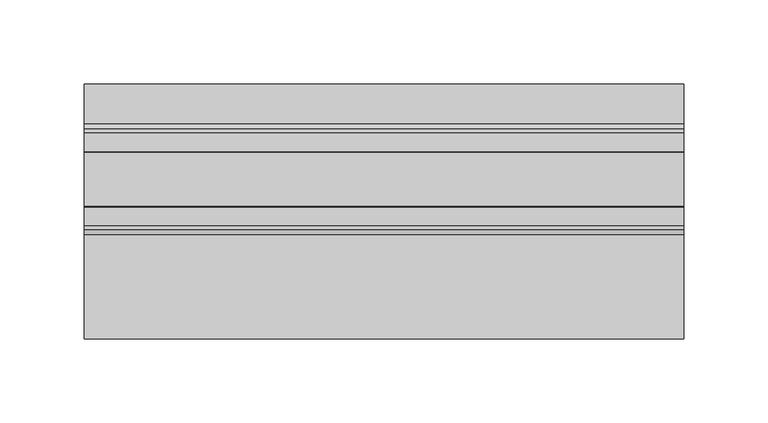
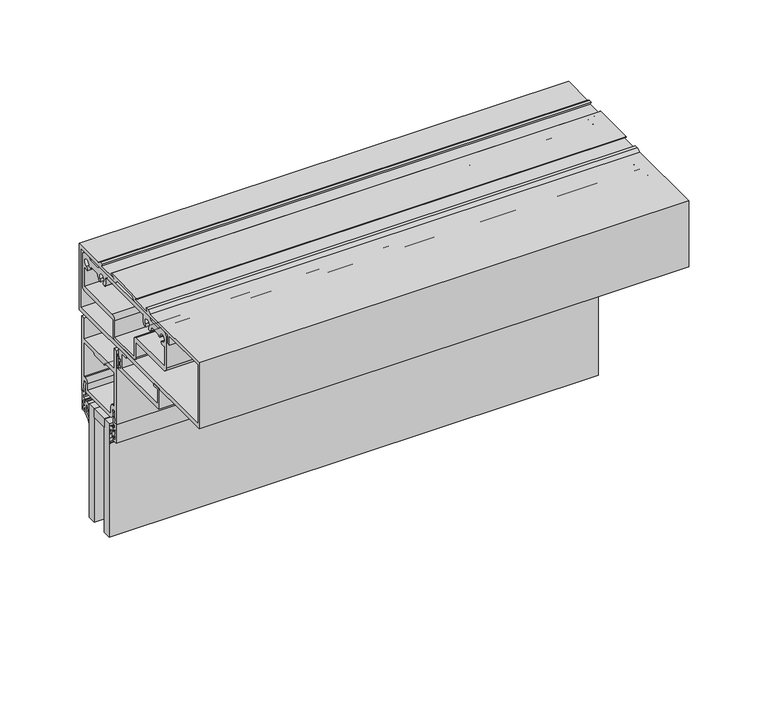
"""IFC4 building model written with IfcOpenShell, lengths in millimetres: plate geometry."""

from ifc_helpers import new_model, si_unit, point, frame, frame_2d, origin, place, context, project, spatial, polyline, circle_curve, trimmed, segment, composite_curve, outline, extrude, source, transform, mapped, element, save


def plate_2e76b45b(model_context):
    return source(origin(), model_context, "Body", "SweptSolid", [
        extrude(outline(polyline([(-177.8, -19.05), (-177.8, -6.35), (177.8, -6.35), (177.8, -19.05), (-177.8, -19.05)])), frame((0.0, 0.0, 228.2472153), z_axis=(0.0, 0.0, 1.0), x_axis=(1.0, 0.0, 0.0)), (0.0, 0.0, 1.0), 6.35),
        extrude(outline(composite_curve([segment(polyline([(-34.9514484, 293.1066499), (-34.9514484, 285.1817967)]), True, "CONTINUOUS"), segment(trimmed(circle_curve(frame_2d((-36.1452484, 285.1817967)), 1.1938), [point((-34.9514484, 285.1817967))], [point((-37.3390484, 285.1817967))], False, "CARTESIAN"), True, "CONTINUOUS"), segment(polyline([(-37.3390484, 285.1817967), (-37.3390484, 287.1879153), (-38.31675, 287.1879153), (-38.31675, 285.7147153), (-39.2186484, 285.7147153), (-39.2186484, 287.5689153), (-37.7962484, 287.5689153), (-37.7962484, 290.7185153), (-39.2186484, 290.7185153), (-39.2186484, 292.5727153), (-38.31675, 292.5727153), (-38.31675, 291.0995153), (-37.3390484, 291.0995153), (-37.3390484, 293.1066499)]), True, "CONTINUOUS"), segment(trimmed(circle_curve(frame_2d((-36.1452484, 293.1066499)), 1.1938), [point((-37.3390484, 293.1066499))], [point((-34.9514484, 293.1066499))], False, "CARTESIAN"), True, "CONTINUOUS")], self_intersect=False), holes=[composite_curve([segment(trimmed(circle_curve(frame_2d((-36.1452484, 293.1066499)), 0.6858), [point((-35.4594484, 293.1066499))], [point((-36.8310484, 293.1066499))], True, "CARTESIAN"), True, "CONTINUOUS"), segment(polyline([(-36.8310484, 293.1066499), (-36.8310484, 285.1817967)]), True, "CONTINUOUS"), segment(trimmed(circle_curve(frame_2d((-36.1452484, 285.1817967)), 0.6858), [point((-36.8310484, 285.1817967))], [point((-35.4594484, 285.1817967))], True, "CARTESIAN"), True, "CONTINUOUS"), segment(polyline([(-35.4594484, 285.1817967), (-35.4594484, 293.1066499)]), True, "CONTINUOUS")], self_intersect=False)]), frame((-177.8, 0.0, 0.0), z_axis=(1.0, 0.0, 0.0), x_axis=(0.0, 1.0, 0.0)), (0.0, 0.0, 1.0), 355.6),
        extrude(outline(polyline([(-177.8, -6.35), (-177.8, 0.0), (177.8, 0.0), (177.8, -6.35), (-177.8, -6.35)])), frame((0.0, 0.0, 147.2847153), z_axis=(0.0, 0.0, 1.0), x_axis=(1.0, 0.0, 0.0)), (0.0, 0.0, 1.0), 87.3125),
        extrude(outline(polyline([(-177.8, -25.4), (-177.8, -19.05), (177.8, -19.05), (177.8, -25.4), (-177.8, -25.4)])), frame((0.0, 0.0, 147.2847153), z_axis=(0.0, 0.0, 1.0), x_axis=(1.0, 0.0, 0.0)), (0.0, 0.0, 1.0), 87.3125),
        extrude(outline(composite_curve([segment(polyline([(1.2146236, 224.1188094), (3.6195019, 226.3938295), (3.6195019, 229.7604607)]), True, "CONTINUOUS"), segment(trimmed(circle_curve(frame_2d((3.9370017, 230.1154366)), 0.47625), [point((3.6195019, 229.7604607))], [point((3.619501, 230.4704118))], True, "CARTESIAN"), True, "CONTINUOUS"), segment(polyline([(3.619501, 230.4704118), (3.619501, 232.0534477)]), True, "CONTINUOUS"), segment(trimmed(circle_curve(frame_2d((3.1116463, 230.6480701)), 1.4943235), [point((3.619501, 232.0534477))], [point((1.6174209, 230.6651923))], True, "CARTESIAN"), True, "CONTINUOUS"), segment(polyline([(1.6174209, 230.6651923), (0.5798898, 227.3304073)]), True, "CONTINUOUS"), segment(trimmed(circle_curve(frame_2d((0.2963183, 227.4186332)), 0.2969791), [point((0.5798898, 227.3304073))], [point((0.0, 227.3988331))], False, "CARTESIAN"), True, "CONTINUOUS"), segment(polyline([(0.0, 227.3988331), (0.0, 231.4465032)]), True, "CONTINUOUS"), segment(trimmed(circle_curve(frame_2d((2.8819649, 231.5989848)), 2.8859959), [point((0.0, 231.4465032))], [point((2.7993723, 234.4837987))], False, "CARTESIAN"), True, "CONTINUOUS"), segment(polyline([(2.7993723, 234.4837987), (3.619501, 234.5072791), (4.7625003, 234.5072791), (4.7625003, 231.5886377), (6.1341013, 231.5886377), (6.1341013, 232.9014666)]), True, "CONTINUOUS"), segment(trimmed(circle_curve(frame_2d((6.4896997, 233.1888362)), 0.4571996), [point((6.1341013, 232.9014666))], [point((6.9468994, 233.1888362))], False, "CARTESIAN"), True, "CONTINUOUS"), segment(polyline([(6.9468994, 233.1888362), (6.9468994, 231.1210434)]), True, "CONTINUOUS"), segment(trimmed(circle_curve(frame_2d((6.4706494, 231.0706007)), 0.4789139), [point((6.9468994, 231.1210434))], [point((6.4706494, 230.5916868))], False, "CARTESIAN"), True, "CONTINUOUS"), segment(trimmed(circle_curve(frame_2d((6.4706494, 230.1154368)), 0.47625), [point((6.4706494, 230.5916868))], [point((6.4706494, 229.6391868))], True, "CARTESIAN"), True, "CONTINUOUS"), segment(trimmed(circle_curve(frame_2d((6.3248962, 229.0345018)), 0.6220032), [point((6.4706494, 229.6391868))], [point((6.9468994, 229.0345018))], False, "CARTESIAN"), True, "CONTINUOUS"), segment(polyline([(6.9468994, 229.0345018), (6.9468994, 227.0420375)]), True, "CONTINUOUS"), segment(trimmed(circle_curve(frame_2d((6.4896997, 227.0420375)), 0.4571996), [point((6.9468994, 227.0420375))], [point((6.134102, 227.3294079))], False, "CARTESIAN"), True, "CONTINUOUS"), segment(polyline([(6.134102, 227.3294079), (6.134102, 228.6422512), (4.7625003, 228.6422512), (4.7625003, 224.7705638), (1.4889495, 222.2693517)]), True, "CONTINUOUS"), segment(trimmed(circle_curve(frame_2d((3.0879023, 220.2964512)), 2.5394854), [point((1.4889495, 222.2693517))], [point((0.5496136, 220.2184967))], True, "CARTESIAN"), True, "CONTINUOUS"), segment(trimmed(circle_curve(frame_2d((0.2748716, 220.210059)), 0.2748716), [point((0.5496136, 220.2184967))], [point((0.0, 220.210059))], False, "CARTESIAN"), True, "CONTINUOUS"), segment(polyline([(0.0, 220.210059), (0.0, 221.9232827)]), True, "CONTINUOUS"), segment(trimmed(circle_curve(frame_2d((3.0412561, 221.6745235)), 3.0514128), [point((0.0, 221.9232827))], [point((1.2146236, 224.1188094))], False, "CARTESIAN"), True, "CONTINUOUS")], self_intersect=False)), frame((-177.8, 0.0, 0.0), z_axis=(1.0, 0.0, 0.0), x_axis=(0.0, 1.0, 0.0)), (0.0, 0.0, 1.0), 355.6),
        extrude(outline(composite_curve([segment(trimmed(circle_curve(frame_2d((-28.4412561, 221.6745235)), 3.0514128), [point((-26.6146236, 224.1188094))], [point((-25.4, 221.9232827))], False, "CARTESIAN"), True, "CONTINUOUS"), segment(polyline([(-25.4, 221.9232827), (-25.4, 220.210059)]), True, "CONTINUOUS"), segment(trimmed(circle_curve(frame_2d((-25.6748716, 220.210059)), 0.2748716), [point((-25.4, 220.210059))], [point((-25.9496136, 220.2184967))], False, "CARTESIAN"), True, "CONTINUOUS"), segment(trimmed(circle_curve(frame_2d((-28.4879023, 220.2964512)), 2.5394854), [point((-25.9496136, 220.2184967))], [point((-26.8889495, 222.2693517))], True, "CARTESIAN"), True, "CONTINUOUS"), segment(polyline([(-26.8889495, 222.2693517), (-30.1625003, 224.7705638), (-30.1625003, 228.6422512), (-31.534102, 228.6422512), (-31.534102, 227.3294079)]), True, "CONTINUOUS"), segment(trimmed(circle_curve(frame_2d((-31.8896997, 227.0420375)), 0.4571996), [point((-31.534102, 227.3294079))], [point((-32.3468994, 227.0420375))], False, "CARTESIAN"), True, "CONTINUOUS"), segment(polyline([(-32.3468994, 227.0420375), (-32.3468994, 229.0345018)]), True, "CONTINUOUS"), segment(trimmed(circle_curve(frame_2d((-31.7248962, 229.0345018)), 0.6220032), [point((-32.3468994, 229.0345018))], [point((-31.8706494, 229.6391868))], False, "CARTESIAN"), True, "CONTINUOUS"), segment(trimmed(circle_curve(frame_2d((-31.8706494, 230.1154368)), 0.47625), [point((-31.8706494, 229.6391868))], [point((-31.8706494, 230.5916868))], True, "CARTESIAN"), True, "CONTINUOUS"), segment(trimmed(circle_curve(frame_2d((-31.8706494, 231.0706007)), 0.4789139), [point((-31.8706494, 230.5916868))], [point((-32.3468994, 231.1210434))], False, "CARTESIAN"), True, "CONTINUOUS"), segment(polyline([(-32.3468994, 231.1210434), (-32.3468994, 233.1888362)]), True, "CONTINUOUS"), segment(trimmed(circle_curve(frame_2d((-31.8896997, 233.1888362)), 0.4571996), [point((-32.3468994, 233.1888362))], [point((-31.5341013, 232.9014666))], False, "CARTESIAN"), True, "CONTINUOUS"), segment(polyline([(-31.5341013, 232.9014666), (-31.5341013, 231.5886377), (-30.1625, 231.5886377), (-30.1625, 234.5072791), (-29.019501, 234.5072791), (-28.1993723, 234.4837987)]), True, "CONTINUOUS"), segment(trimmed(circle_curve(frame_2d((-28.2819649, 231.5989848)), 2.8859959), [point((-28.1993723, 234.4837987))], [point((-25.4, 231.4465032))], False, "CARTESIAN"), True, "CONTINUOUS"), segment(polyline([(-25.4, 231.4465032), (-25.4, 227.3988331)]), True, "CONTINUOUS"), segment(trimmed(circle_curve(frame_2d((-25.6963183, 227.4186332)), 0.2969791), [point((-25.4, 227.3988331))], [point((-25.9798898, 227.3304073))], False, "CARTESIAN"), True, "CONTINUOUS"), segment(polyline([(-25.9798898, 227.3304073), (-27.0174209, 230.6651923)]), True, "CONTINUOUS"), segment(trimmed(circle_curve(frame_2d((-28.5116463, 230.6480701)), 1.4943235), [point((-27.0174209, 230.6651923))], [point((-29.019501, 232.0534477))], True, "CARTESIAN"), True, "CONTINUOUS"), segment(polyline([(-29.019501, 232.0534477), (-29.019501, 230.4704118)]), True, "CONTINUOUS"), segment(trimmed(circle_curve(frame_2d((-29.3370017, 230.1154366)), 0.47625), [point((-29.019501, 230.4704118))], [point((-29.0195019, 229.7604607))], True, "CARTESIAN"), True, "CONTINUOUS"), segment(polyline([(-29.0195019, 229.7604607), (-29.0195019, 226.3938295), (-26.6146236, 224.1188094)]), True, "CONTINUOUS")], self_intersect=False)), frame((-177.8, 0.0, 0.0), z_axis=(1.0, 0.0, 0.0), x_axis=(0.0, 1.0, 0.0)), (0.0, 0.0, 1.0), 355.6),
        extrude(outline(composite_curve([segment(polyline([(-34.1276564, 225.0718698), (-34.0673249, 239.336753), (-31.6471876, 239.336753), (-31.6471876, 240.9689504), (-32.4372227, 240.8579182), (-31.0981976, 248.2908744), (-29.8175355, 248.1677338), (-30.9128526, 242.0876064)]), True, "CONTINUOUS"), segment(trimmed(circle_curve(frame_2d((-31.7464064, 240.8729022)), 1.4732), [point((-30.9128526, 242.0876064))], [point((-30.2732064, 240.8729022))], False, "CARTESIAN"), True, "CONTINUOUS"), segment(polyline([(-30.2732064, 240.8729022), (-30.2732064, 239.3593698)]), True, "CONTINUOUS"), segment(trimmed(circle_curve(frame_2d((-31.7464064, 239.3593698)), 1.4732), [point((-30.2732064, 239.3593698))], [point((-31.7464064, 237.8861698))], False, "CARTESIAN"), True, "CONTINUOUS"), segment(polyline([(-31.7464064, 237.8861698), (-32.6544564, 237.8861698), (-32.6544564, 235.1048698), (-30.1589064, 235.1048698), (-30.1589064, 233.0855698)]), True, "CONTINUOUS"), segment(trimmed(circle_curve(frame_2d((-30.9717064, 233.0855698)), 0.8128), [point((-30.1589064, 233.0855698))], [point((-31.1749064, 232.2985796))], False, "CARTESIAN"), True, "CONTINUOUS"), segment(polyline([(-31.1749064, 232.2985796), (-31.1749064, 233.8348698), (-32.5401564, 233.8348698), (-32.5401564, 226.3418698), (-31.1749064, 226.3418698), (-31.1749064, 227.90356)]), True, "CONTINUOUS"), segment(trimmed(circle_curve(frame_2d((-30.9717064, 227.1165698)), 0.8128), [point((-31.1749064, 227.90356))], [point((-30.1589064, 227.1165698))], False, "CARTESIAN"), True, "CONTINUOUS"), segment(polyline([(-30.1589064, 227.1165698), (-30.2859064, 225.0718698), (-34.1276564, 225.0718698)]), True, "CONTINUOUS")], self_intersect=False)), frame((-177.8, 0.0, 0.0), z_axis=(1.0, 0.0, 0.0), x_axis=(0.0, 1.0, 0.0)), (0.0, 0.0, 1.0), 355.6),
        extrude(outline(composite_curve([segment(polyline([(8.7276564, 225.0718698), (4.8859064, 225.0718698), (4.7589064, 227.1165698)]), True, "CONTINUOUS"), segment(trimmed(circle_curve(frame_2d((5.5717064, 227.1165698)), 0.8128), [point((4.7589064, 227.1165698))], [point((5.7749064, 227.90356))], False, "CARTESIAN"), True, "CONTINUOUS"), segment(polyline([(5.7749064, 227.90356), (5.7749064, 226.3418698), (7.1401564, 226.3418698), (7.1401564, 233.8348698), (5.7749064, 233.8348698), (5.7749064, 232.2985796)]), True, "CONTINUOUS"), segment(trimmed(circle_curve(frame_2d((5.5717064, 233.0855698)), 0.8128), [point((5.7749064, 232.2985796))], [point((4.7589064, 233.0855698))], False, "CARTESIAN"), True, "CONTINUOUS"), segment(polyline([(4.7589064, 233.0855698), (4.7589064, 235.1048698), (7.2544564, 235.1048698), (7.2544564, 237.8861698), (6.3464064, 237.8861698)]), True, "CONTINUOUS"), segment(trimmed(circle_curve(frame_2d((6.3464064, 239.3593698)), 1.4732), [point((6.3464064, 237.8861698))], [point((4.8732064, 239.3593698))], False, "CARTESIAN"), True, "CONTINUOUS"), segment(polyline([(4.8732064, 239.3593698), (4.8732064, 240.8729022)]), True, "CONTINUOUS"), segment(trimmed(circle_curve(frame_2d((6.3464064, 240.8729022)), 1.4732), [point((4.8732064, 240.8729022))], [point((5.5128526, 242.0876064))], False, "CARTESIAN"), True, "CONTINUOUS"), segment(polyline([(5.5128526, 242.0876064), (4.4175355, 248.1677338), (5.6981976, 248.2908744), (7.0372227, 240.8579182), (6.2471876, 240.9689504), (6.2471876, 239.336753), (8.6673249, 239.336753), (8.7276564, 225.0718698)]), True, "CONTINUOUS")], self_intersect=False)), frame((-177.8, 0.0, 0.0), z_axis=(1.0, 0.0, 0.0), x_axis=(0.0, 1.0, 0.0)), (0.0, 0.0, 1.0), 355.6),
        extrude(outline(composite_curve([segment(trimmed(circle_curve(frame_2d((-37.73499, 291.8615153)), 0.4318), [point((-37.30319, 291.8615153))], [point((-38.1346289, 292.0250391))], False, "CARTESIAN"), True, "CONTINUOUS"), segment(trimmed(circle_curve(frame_2d((-38.7116898, 292.2611602)), 0.6235002), [point((-38.1346289, 292.0250391))], [point((-39.33519, 292.2611602))], True, "CARTESIAN"), True, "CONTINUOUS"), segment(polyline([(-39.33519, 292.2611602), (-39.33519, 285.9687153)]), True, "CONTINUOUS"), segment(trimmed(circle_curve(frame_2d((-38.7222466, 286.0627884)), 0.6201205), [point((-39.33519, 285.9687153))], [point((-38.1402463, 286.2768563))], True, "CARTESIAN"), True, "CONTINUOUS"), segment(trimmed(circle_curve(frame_2d((-37.73499, 286.4259153)), 0.4318), [point((-38.1402463, 286.2768563))], [point((-37.30319, 286.4259153))], False, "CARTESIAN"), True, "CONTINUOUS"), segment(polyline([(-37.30319, 286.4259153), (-37.30319, 284.5971153)]), True, "CONTINUOUS"), segment(trimmed(circle_curve(frame_2d((-38.09059, 284.5971153)), 0.7874), [point((-37.30319, 284.5971153))], [point((-38.09059, 283.8097153))], False, "CARTESIAN"), True, "CONTINUOUS"), segment(polyline([(-38.09059, 283.8097153), (-88.1032275, 283.8097153), (-88.1032275, 299.6847153), (-81.7532275, 299.5739713), (-81.7532275, 298.1099153), (-86.5284275, 298.1099153), (-86.5284275, 286.9847153), (-41.5196275, 286.9847153), (-41.5196275, 298.1099153), (-46.8282275, 298.1099153), (-46.8282275, 299.5183453), (-37.30319, 299.6847153), (-37.30319, 291.8615153)]), True, "CONTINUOUS")], self_intersect=False)), frame((-177.8, 0.0, 0.0), z_axis=(1.0, 0.0, 0.0), x_axis=(0.0, 1.0, 0.0)), (0.0, 0.0, 1.0), 355.6),
        extrude(outline(composite_curve([segment(polyline([(6.35, 280.6347153), (6.35, 296.5097153), (9.1948, 296.5097153), (9.1948, 239.3153905), (6.35, 239.3153905), (6.35, 240.5853905), (7.1627949, 240.5853905), (6.7499992, 248.8149905), (4.3688, 248.8149905), (4.3688, 242.4840685)]), True, "CONTINUOUS"), segment(trimmed(circle_curve(frame_2d((2.794, 242.4840685)), 1.5748), [point((4.3688, 242.4840685))], [point((2.794, 240.9092685))], False, "CARTESIAN"), True, "CONTINUOUS"), segment(polyline([(2.794, 240.9092685), (-26.5938, 240.9092685)]), True, "CONTINUOUS"), segment(trimmed(circle_curve(frame_2d((-26.5938, 244.0843681)), 3.1750996), [point((-26.5938, 240.9092685))], [point((-29.7688, 244.1095153))], False, "CARTESIAN"), True, "CONTINUOUS"), segment(polyline([(-29.7688, 244.1095153), (-29.7688, 248.8466153), (-32.15005, 248.8466153), (-32.5628, 240.6170153), (-31.75, 240.6170153), (-31.75, 239.3470153), (-34.5948, 239.3470153), (-34.5948, 296.4970153), (-31.75, 296.4970153), (-31.75, 280.6347153), (6.35, 280.6347153)]), True, "CONTINUOUS")], self_intersect=False), holes=[composite_curve([segment(polyline([(6.0198, 252.0216153), (6.0198, 277.4470153), (-4.7625, 277.4470153)]), True, "CONTINUOUS"), segment(trimmed(circle_curve(frame_2d((-4.7625, 275.8595153)), 1.5875), [point((-4.7625, 277.4470153))], [point((-6.35, 275.8595153))], True, "CARTESIAN"), True, "CONTINUOUS"), segment(polyline([(-6.35, 275.8595153), (-19.05, 275.8595153)]), True, "CONTINUOUS"), segment(trimmed(circle_curve(frame_2d((-20.6375, 275.8595153)), 1.5875), [point((-19.05, 275.8595153))], [point((-20.6375, 277.4470153))], True, "CARTESIAN"), True, "CONTINUOUS"), segment(polyline([(-20.6375, 277.4470153), (-31.4198, 277.4470153), (-31.4198, 252.0216153), (-30.1752, 252.0216153)]), True, "CONTINUOUS"), segment(trimmed(circle_curve(frame_2d((-30.1752, 248.8466153)), 3.175), [point((-30.1752, 252.0216153))], [point((-27.0002, 248.8466153))], False, "CARTESIAN"), True, "CONTINUOUS"), segment(polyline([(-27.0002, 248.8466153), (-27.0002, 244.1095153), (1.6002, 244.1095153), (1.6002, 248.8466153)]), True, "CONTINUOUS"), segment(trimmed(circle_curve(frame_2d((4.7752, 248.8466153)), 3.175), [point((1.6002, 248.8466153))], [point((4.7752, 252.0216153))], False, "CARTESIAN"), True, "CONTINUOUS"), segment(polyline([(4.7752, 252.0216153), (6.0198, 252.0216153)]), True, "CONTINUOUS")], self_intersect=False)]), frame((-177.8, 0.0, 0.0), z_axis=(1.0, 0.0, 0.0), x_axis=(0.0, 1.0, 0.0)), (0.0, 0.0, 1.0), 355.6),
        extrude(outline(composite_curve([segment(polyline([(-76.26604, 347.3097153), (-12.76604, 347.3097153), (-11.19124, 345.7349153), (-1.65354, 345.7349153), (-0.06604, 347.3097153), (5.01142, 347.3097153)]), True, "CONTINUOUS"), segment(trimmed(circle_curve(frame_2d((5.01142, 344.1347153)), 3.175), [point((5.01142, 347.3097153))], [point((8.18642, 344.1347153))], False, "CARTESIAN"), True, "CONTINUOUS"), segment(polyline([(8.18642, 344.1347153), (8.18642, 320.6651153)]), True, "CONTINUOUS"), segment(trimmed(circle_curve(frame_2d((5.01142, 320.6651153)), 3.175), [point((8.18642, 320.6651153))], [point((5.01142, 317.4901153))], False, "CARTESIAN"), True, "CONTINUOUS"), segment(polyline([(5.01142, 317.4901153), (-30.29204, 317.4901153), (-30.29204, 305.6537153)]), True, "CONTINUOUS"), segment(trimmed(circle_curve(frame_2d((-32.67964, 305.6537153)), 2.3876), [point((-30.29204, 305.6537153))], [point((-32.67964, 303.2661153))], False, "CARTESIAN"), True, "CONTINUOUS"), segment(polyline([(-32.67964, 303.2661153), (-56.35244, 303.2661153)]), True, "CONTINUOUS"), segment(trimmed(circle_curve(frame_2d((-56.35244, 305.6537153)), 2.3876), [point((-56.35244, 303.2661153))], [point((-58.74004, 305.6537153))], False, "CARTESIAN"), True, "CONTINUOUS"), segment(polyline([(-58.74004, 305.6537153), (-58.74004, 317.4901153), (-94.04858, 317.4901153)]), True, "CONTINUOUS"), segment(trimmed(circle_curve(frame_2d((-94.04858, 320.6651153)), 3.175), [point((-94.04858, 317.4901153))], [point((-97.22358, 320.6651153))], False, "CARTESIAN"), True, "CONTINUOUS"), segment(polyline([(-97.22358, 320.6651153), (-97.22358, 344.1347153)]), True, "CONTINUOUS"), segment(trimmed(circle_curve(frame_2d((-94.04858, 344.1347153)), 3.175), [point((-97.22358, 344.1347153))], [point((-94.04858, 347.3097153))], False, "CARTESIAN"), True, "CONTINUOUS"), segment(polyline([(-94.04858, 347.3097153), (-88.96604, 347.3097153), (-87.39124, 345.7349153), (-77.84084, 345.7349153), (-76.26604, 347.3097153)]), True, "CONTINUOUS")], self_intersect=False), holes=[composite_curve([segment(polyline([(-79.3455542, 340.6549153), (-86.4810901, 340.6549153)]), True, "CONTINUOUS"), segment(trimmed(circle_curve(frame_2d((-88.0261765, 340.9597153)), 1.5748635), [point((-86.4810901, 340.6549153))], [point((-89.60104, 340.9597153))], False, "CARTESIAN"), True, "CONTINUOUS"), segment(trimmed(circle_curve(frame_2d((-92.14104, 340.9597153)), 2.54), [point((-89.60104, 340.9597153))], [point((-92.14104, 338.4197153))], True, "CARTESIAN"), True, "CONTINUOUS"), segment(trimmed(circle_curve(frame_2d((-92.14104, 336.8448518)), 1.5748635), [point((-92.14104, 338.4197153))], [point((-92.14104, 335.2699883))], False, "CARTESIAN"), True, "CONTINUOUS"), segment(trimmed(circle_curve(frame_2d((-92.14104, 340.9597153)), 5.689727), [point((-92.14104, 335.2699883))], [point((-94.45498, 335.7617662))], False, "CARTESIAN"), True, "CONTINUOUS"), segment(polyline([(-94.45498, 335.7617662), (-94.45498, 321.4525153), (-59.52744, 321.4525153)]), True, "CONTINUOUS"), segment(trimmed(circle_curve(frame_2d((-59.52744, 318.2775153)), 3.175), [point((-59.52744, 321.4525153))], [point((-56.35244, 318.2775153))], False, "CARTESIAN"), True, "CONTINUOUS"), segment(polyline([(-56.35244, 318.2775153), (-56.35244, 305.6537153), (-32.67964, 305.6537153), (-32.67964, 318.2775153)]), True, "CONTINUOUS"), segment(trimmed(circle_curve(frame_2d((-29.50464, 318.2775153)), 3.175), [point((-32.67964, 318.2775153))], [point((-29.50464, 321.4525153))], False, "CARTESIAN"), True, "CONTINUOUS"), segment(polyline([(-29.50464, 321.4525153), (5.41782, 321.4525153), (5.41782, 335.7617662)]), True, "CONTINUOUS"), segment(trimmed(circle_curve(frame_2d((3.10388, 340.9597153)), 5.689727), [point((5.41782, 335.7617662))], [point((3.10388, 335.2699883))], False, "CARTESIAN"), True, "CONTINUOUS"), segment(trimmed(circle_curve(frame_2d((3.10388, 336.8448518)), 1.5748635), [point((3.10388, 335.2699883))], [point((3.10388, 338.4197153))], False, "CARTESIAN"), True, "CONTINUOUS"), segment(trimmed(circle_curve(frame_2d((3.10388, 340.9597153)), 2.54), [point((3.10388, 338.4197153))], [point((0.56388, 340.9597153))], True, "CARTESIAN"), True, "CONTINUOUS"), segment(trimmed(circle_curve(frame_2d((-1.0109835, 340.9597153)), 1.5748635), [point((0.56388, 340.9597153))], [point((-2.5560699, 340.6549153))], False, "CARTESIAN"), True, "CONTINUOUS"), segment(polyline([(-2.5560699, 340.6549153), (-9.6916058, 340.6549153)]), True, "CONTINUOUS"), segment(trimmed(circle_curve(frame_2d((-9.6916058, 340.0199153)), 0.635), [point((-9.6916058, 340.6549153))], [point((-10.3195565, 340.1142708))], True, "CARTESIAN"), True, "CONTINUOUS"), segment(trimmed(circle_curve(frame_2d((-15.94612, 340.9597153)), 5.689727), [point((-10.3195565, 340.1142708))], [point((-11.9228755, 336.9364708))], False, "CARTESIAN"), True, "CONTINUOUS"), segment(trimmed(circle_curve(frame_2d((-13.0364721, 338.0500674)), 1.5748635), [point((-11.9228755, 336.9364708))], [point((-14.1500688, 339.1636641))], False, "CARTESIAN"), True, "CONTINUOUS"), segment(trimmed(circle_curve(frame_2d((-15.94612, 340.9597153)), 2.54), [point((-14.1500688, 339.1636641))], [point((-17.7421712, 339.1636641))], True, "CARTESIAN"), True, "CONTINUOUS"), segment(trimmed(circle_curve(frame_2d((-18.8557679, 338.0500674)), 1.5748635), [point((-17.7421712, 339.1636641))], [point((-19.9693645, 336.9364708))], False, "CARTESIAN"), True, "CONTINUOUS"), segment(trimmed(circle_curve(frame_2d((-15.94612, 340.9597153)), 5.689727), [point((-19.9693645, 336.9364708))], [point((-21.1568625, 343.2447002))], False, "CARTESIAN"), True, "CONTINUOUS"), segment(trimmed(circle_curve(frame_2d((-21.7384056, 343.4997152)), 0.635), [point((-21.1568625, 343.2447002))], [point((-21.7384038, 344.1347152))], True, "CARTESIAN"), True, "CONTINUOUS"), segment(polyline([(-21.7384038, 344.1347152), (-67.2988084, 344.1348424)]), True, "CONTINUOUS"), segment(trimmed(circle_curve(frame_2d((-67.2988102, 343.4998424)), 0.635), [point((-67.2988084, 344.1348424))], [point((-67.8803477, 343.2448147))], True, "CARTESIAN"), True, "CONTINUOUS"), segment(trimmed(circle_curve(frame_2d((-73.09104, 340.9597153)), 5.689727), [point((-67.8803477, 343.2448147))], [point((-69.0677955, 336.9364708))], False, "CARTESIAN"), True, "CONTINUOUS"), segment(trimmed(circle_curve(frame_2d((-70.1813921, 338.0500674)), 1.5748635), [point((-69.0677955, 336.9364708))], [point((-71.2949888, 339.1636641))], False, "CARTESIAN"), True, "CONTINUOUS"), segment(trimmed(circle_curve(frame_2d((-73.09104, 340.9597153)), 2.54), [point((-71.2949888, 339.1636641))], [point((-74.8870912, 339.1636641))], True, "CARTESIAN"), True, "CONTINUOUS"), segment(trimmed(circle_curve(frame_2d((-76.0006879, 338.0500674)), 1.5748635), [point((-74.8870912, 339.1636641))], [point((-77.1142845, 336.9364708))], False, "CARTESIAN"), True, "CONTINUOUS"), segment(trimmed(circle_curve(frame_2d((-73.09104, 340.9597153)), 5.689727), [point((-77.1142845, 336.9364708))], [point((-78.7176035, 340.1142708))], False, "CARTESIAN"), True, "CONTINUOUS"), segment(trimmed(circle_curve(frame_2d((-79.3455542, 340.0199153)), 0.635), [point((-78.7176035, 340.1142708))], [point((-79.3455542, 340.6549153))], True, "CARTESIAN"), True, "CONTINUOUS")], self_intersect=False)]), frame((-177.8, 0.0, 0.0), z_axis=(1.0, 0.0, 0.0), x_axis=(0.0, 1.0, 0.0)), (0.0, 0.0, 1.0), 355.6),
        extrude(outline(composite_curve([segment(polyline([(-14.2748, 352.0722153), (-11.5189, 350.4847153), (12.08532, 350.4847153), (12.08532, 299.6847153), (-139.0904, 299.6847153), (-139.0904, 350.4847153), (-77.3557, 350.4847153), (-74.5998, 352.0722153), (-72.0895141, 352.0722153), (-73.5020928, 349.6084153), (-57.9994457, 349.6084153)]), True, "CONTINUOUS"), segment(trimmed(circle_curve(frame_2d((-57.9852556, 350.0604677)), 0.4522751), [point((-57.9994457, 349.6084153))], [point((-57.8285179, 350.4847153))], True, "CARTESIAN"), True, "CONTINUOUS"), segment(polyline([(-57.8285179, 350.4847153), (-60.5166277, 351.4778336)]), True, "CONTINUOUS"), segment(trimmed(circle_curve(frame_2d((-60.42152, 351.7674153)), 0.3048), [point((-60.5166277, 351.4778336))], [point((-60.42152, 352.0722153))], False, "CARTESIAN"), True, "CONTINUOUS"), segment(polyline([(-60.42152, 352.0722153), (-28.448, 352.0722153)]), True, "CONTINUOUS"), segment(trimmed(circle_curve(frame_2d((-28.448, 351.7674153)), 0.3048), [point((-28.448, 352.0722153))], [point((-28.3533114, 351.4776963))], False, "CARTESIAN"), True, "CONTINUOUS"), segment(polyline([(-28.3533114, 351.4776963), (-31.0410021, 350.4847153)]), True, "CONTINUOUS"), segment(trimmed(circle_curve(frame_2d((-30.8843014, 350.0605753)), 0.4521613), [point((-31.0410021, 350.4847153))], [point((-30.8831877, 349.6084153))], True, "CARTESIAN"), True, "CONTINUOUS"), segment(polyline([(-30.8831877, 349.6084153), (-15.3586792, 349.6084153), (-16.7807382, 352.0722153), (-14.2748, 352.0722153)]), True, "CONTINUOUS")], self_intersect=False), holes=[polyline([(-136.7028, 302.8597153), (9.69772, 302.8597153), (9.69772, 347.3097153), (-32.84728, 347.3097153), (-35.32378, 349.7862153), (-53.5813, 349.7862153), (-56.0578, 347.3097153), (-98.6028, 347.3097153), (-98.6028, 340.9597153), (-100.9904, 340.9597153), (-100.9904, 347.3097153), (-136.7028, 347.3097153), (-136.7028, 302.8597153)])]), frame((-177.8, 0.0, 0.0), z_axis=(1.0, 0.0, 0.0), x_axis=(0.0, 1.0, 0.0)), (0.0, 0.0, 1.0), 355.6),
    ])


if __name__ == "__main__":
    model = new_model("IFC4")
    model_context = context("Model", 3, world=origin())
    ifc_project = project(units=[si_unit("LENGTHUNIT", "METRE", prefix="MILLI")], contexts=[model_context])
    site = spatial("IfcSite", under=ifc_project)
    building = spatial("IfcBuilding", under=site)
    placement = place(None, origin())
    plate_shape = plate_2e76b45b(model_context)
    element("IfcPlate", 1, at=placement, inside=building, context=model_context, shape_type="MappedRepresentation", body=[
        mapped(plate_shape, transform((0.0, 0.0, 0.0), x_axis=(1.0, 0.0, 0.0), y_axis=(0.0, 1.0, 0.0), z_axis=(0.0, 0.0, 1.0))),
    ])
    save(model, "model.ifc")
